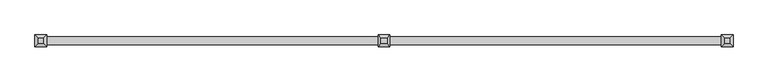
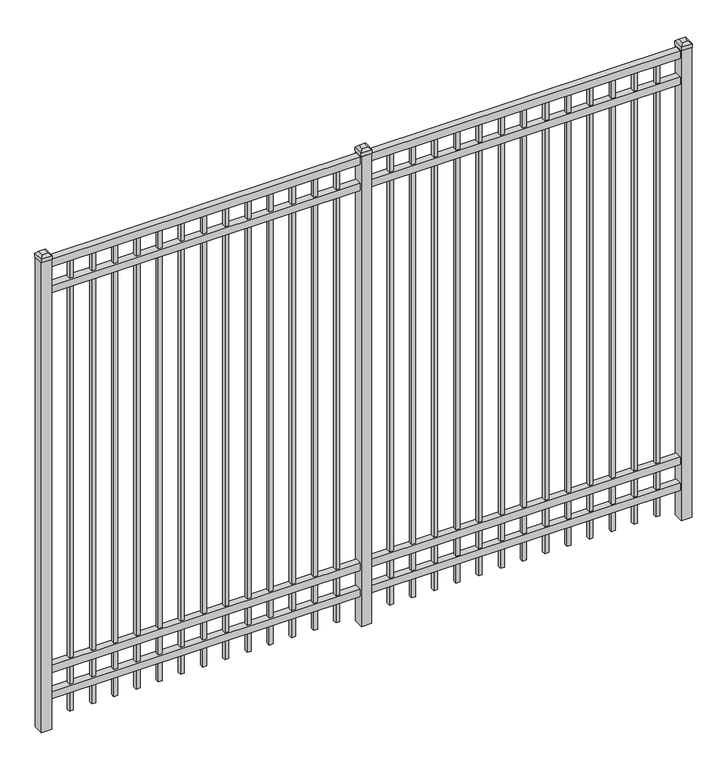
"""IFC4 building model written with IfcOpenShell, lengths in millimetres: railing geometry."""

from ifc_helpers import new_model, si_unit, frame, origin, origin_with_axes, place, context, project, spatial, polyline, outline, extrude, faceted_brep, source, transform, mapped, element, save


def railing_0a908adc(model_context):
    return source(origin(), model_context, "Body", "SolidModel", [
        extrude(outline(polyline([(-55249.318087, -9187.1195174), (-55249.318087, -9152.1945174), (-52099.718087, -9152.1945174), (-52099.718087, -9187.1195174), (-55249.318087, -9187.1195174)])), frame((0.0, 0.0, 2400.3), z_axis=(0.0, 0.0, 1.0), x_axis=(1.0, 0.0, 0.0)), (0.0, 0.0, 1.0), 38.1),
        extrude(outline(polyline([(-55249.318087, -9187.1195174), (-55249.318087, -9152.1945174), (-52099.718087, -9152.1945174), (-52099.718087, -9187.1195174), (-55249.318087, -9187.1195174)])), frame((0.0, 0.0, 2263.775), z_axis=(0.0, 0.0, 1.0), x_axis=(1.0, 0.0, 0.0)), (0.0, 0.0, 1.0), 38.1),
        extrude(outline(polyline([(-55249.318087, -9187.1195174), (-55249.318087, -9152.1945174), (-52099.718087, -9152.1945174), (-52099.718087, -9187.1195174), (-55249.318087, -9187.1195174)])), frame((0.0, 0.0, 288.925), z_axis=(0.0, 0.0, 1.0), x_axis=(1.0, 0.0, 0.0)), (0.0, 0.0, 1.0), 38.1),
        extrude(outline(polyline([(-55249.318087, -9187.1195174), (-55249.318087, -9152.1945174), (-52099.718087, -9152.1945174), (-52099.718087, -9187.1195174), (-55249.318087, -9187.1195174)])), frame((0.0, 0.0, 152.4), z_axis=(0.0, 0.0, 1.0), x_axis=(1.0, 0.0, 0.0)), (0.0, 0.0, 1.0), 38.1),
        extrude(outline(polyline([(-52331.2285036, -9160.1320174), (-52331.2285036, -9179.1820174), (-52350.2785036, -9179.1820174), (-52350.2785036, -9160.1320174), (-52331.2285036, -9160.1320174)])), frame((0.0, 0.0, 50.8), z_axis=(0.0, 0.0, 1.0), x_axis=(1.0, 0.0, 0.0)), (0.0, 0.0, 1.0), 2349.5),
        extrude(outline(polyline([(-52440.5014203, -9160.1320174), (-52440.5014203, -9179.1820174), (-52459.5514203, -9179.1820174), (-52459.5514203, -9160.1320174), (-52440.5014203, -9160.1320174)])), frame((0.0, 0.0, 50.8), z_axis=(0.0, 0.0, 1.0), x_axis=(1.0, 0.0, 0.0)), (0.0, 0.0, 1.0), 2349.5),
        extrude(outline(polyline([(-52549.774337, -9160.1320174), (-52549.774337, -9179.1820174), (-52568.824337, -9179.1820174), (-52568.824337, -9160.1320174), (-52549.774337, -9160.1320174)])), frame((0.0, 0.0, 50.8), z_axis=(0.0, 0.0, 1.0), x_axis=(1.0, 0.0, 0.0)), (0.0, 0.0, 1.0), 2349.5),
        extrude(outline(polyline([(-52659.0472536, -9160.1320174), (-52659.0472536, -9179.1820174), (-52678.0972536, -9179.1820174), (-52678.0972536, -9160.1320174), (-52659.0472536, -9160.1320174)])), frame((0.0, 0.0, 50.8), z_axis=(0.0, 0.0, 1.0), x_axis=(1.0, 0.0, 0.0)), (0.0, 0.0, 1.0), 2349.5),
        extrude(outline(polyline([(-52768.3201703, -9160.1320174), (-52768.3201703, -9179.1820174), (-52787.3701703, -9179.1820174), (-52787.3701703, -9160.1320174), (-52768.3201703, -9160.1320174)])), frame((0.0, 0.0, 50.8), z_axis=(0.0, 0.0, 1.0), x_axis=(1.0, 0.0, 0.0)), (0.0, 0.0, 1.0), 2349.5),
        extrude(outline(polyline([(-52877.593087, -9160.1320174), (-52877.593087, -9179.1820174), (-52896.643087, -9179.1820174), (-52896.643087, -9160.1320174), (-52877.593087, -9160.1320174)])), frame((0.0, 0.0, 50.8), z_axis=(0.0, 0.0, 1.0), x_axis=(1.0, 0.0, 0.0)), (0.0, 0.0, 1.0), 2349.5),
        extrude(outline(polyline([(-52986.8660036, -9160.1320174), (-52986.8660036, -9179.1820174), (-53005.9160036, -9179.1820174), (-53005.9160036, -9160.1320174), (-52986.8660036, -9160.1320174)])), frame((0.0, 0.0, 50.8), z_axis=(0.0, 0.0, 1.0), x_axis=(1.0, 0.0, 0.0)), (0.0, 0.0, 1.0), 2349.5),
        extrude(outline(polyline([(-53096.1389203, -9160.1320174), (-53096.1389203, -9179.1820174), (-53115.1889203, -9179.1820174), (-53115.1889203, -9160.1320174), (-53096.1389203, -9160.1320174)])), frame((0.0, 0.0, 50.8), z_axis=(0.0, 0.0, 1.0), x_axis=(1.0, 0.0, 0.0)), (0.0, 0.0, 1.0), 2349.5),
        extrude(outline(polyline([(-53205.411837, -9160.1320174), (-53205.411837, -9179.1820174), (-53224.461837, -9179.1820174), (-53224.461837, -9160.1320174), (-53205.411837, -9160.1320174)])), frame((0.0, 0.0, 50.8), z_axis=(0.0, 0.0, 1.0), x_axis=(1.0, 0.0, 0.0)), (0.0, 0.0, 1.0), 2349.5),
        extrude(outline(polyline([(-53314.6847536, -9160.1320174), (-53314.6847536, -9179.1820174), (-53333.7347536, -9179.1820174), (-53333.7347536, -9160.1320174), (-53314.6847536, -9160.1320174)])), frame((0.0, 0.0, 50.8), z_axis=(0.0, 0.0, 1.0), x_axis=(1.0, 0.0, 0.0)), (0.0, 0.0, 1.0), 2349.5),
        extrude(outline(polyline([(-53423.9576703, -9160.1320174), (-53423.9576703, -9179.1820174), (-53443.0076703, -9179.1820174), (-53443.0076703, -9160.1320174), (-53423.9576703, -9160.1320174)])), frame((0.0, 0.0, 50.8), z_axis=(0.0, 0.0, 1.0), x_axis=(1.0, 0.0, 0.0)), (0.0, 0.0, 1.0), 2349.5),
        extrude(outline(polyline([(-52221.955587, -9160.1320174), (-52221.955587, -9179.1820174), (-52241.005587, -9179.1820174), (-52241.005587, -9160.1320174), (-52221.955587, -9160.1320174)])), frame((0.0, 0.0, 50.8), z_axis=(0.0, 0.0, 1.0), x_axis=(1.0, 0.0, 0.0)), (0.0, 0.0, 1.0), 2349.5),
        extrude(outline(polyline([(-53533.230587, -9160.1320174), (-53533.230587, -9179.1820174), (-53552.280587, -9179.1820174), (-53552.280587, -9160.1320174), (-53533.230587, -9160.1320174)])), frame((0.0, 0.0, 50.8), z_axis=(0.0, 0.0, 1.0), x_axis=(1.0, 0.0, 0.0)), (0.0, 0.0, 1.0), 2349.5),
        extrude(outline(polyline([(-53649.118087, -9144.2570174), (-53649.118087, -9195.0570174), (-53699.918087, -9195.0570174), (-53699.918087, -9144.2570174), (-53649.118087, -9144.2570174)])), origin_with_axes(), (0.0, 0.0, 1.0), 2444.75),
        faceted_brep([(-53701.505587, -9142.6695174, 2463.8), (-53701.505587, -9142.6695174, 2444.75), (-53701.505587, -9196.6445174, 2444.75), (-53701.505587, -9196.6445174, 2463.8), (-53688.805587, -9155.3695174, 2476.5), (-53688.805587, -9183.9445174, 2476.5), (-53647.530587, -9196.6445174, 2444.75), (-53647.530587, -9196.6445174, 2463.8), (-53660.230587, -9183.9445174, 2476.5), (-53647.530587, -9142.6695174, 2444.75), (-53647.530587, -9142.6695174, 2463.8), (-53660.230587, -9155.3695174, 2476.5)], [[[0, 1, 2, 3]], [[4, 0, 3, 5]], [[3, 2, 6, 7]], [[5, 3, 7, 8]], [[7, 6, 9, 10]], [[8, 7, 10, 11]], [[10, 9, 1, 0]], [[11, 10, 0, 4]], [[5, 8, 11, 4]], [[1, 9, 6, 2]]]),
        extrude(outline(polyline([(-53906.0285036, -9160.1320174), (-53906.0285036, -9179.1820174), (-53925.0785036, -9179.1820174), (-53925.0785036, -9160.1320174), (-53906.0285036, -9160.1320174)])), frame((0.0, 0.0, 50.8), z_axis=(0.0, 0.0, 1.0), x_axis=(1.0, 0.0, 0.0)), (0.0, 0.0, 1.0), 2349.5),
        extrude(outline(polyline([(-54015.3014203, -9160.1320174), (-54015.3014203, -9179.1820174), (-54034.3514203, -9179.1820174), (-54034.3514203, -9160.1320174), (-54015.3014203, -9160.1320174)])), frame((0.0, 0.0, 50.8), z_axis=(0.0, 0.0, 1.0), x_axis=(1.0, 0.0, 0.0)), (0.0, 0.0, 1.0), 2349.5),
        extrude(outline(polyline([(-54124.574337, -9160.1320174), (-54124.574337, -9179.1820174), (-54143.624337, -9179.1820174), (-54143.624337, -9160.1320174), (-54124.574337, -9160.1320174)])), frame((0.0, 0.0, 50.8), z_axis=(0.0, 0.0, 1.0), x_axis=(1.0, 0.0, 0.0)), (0.0, 0.0, 1.0), 2349.5),
        extrude(outline(polyline([(-54233.8472536, -9160.1320174), (-54233.8472536, -9179.1820174), (-54252.8972536, -9179.1820174), (-54252.8972536, -9160.1320174), (-54233.8472536, -9160.1320174)])), frame((0.0, 0.0, 50.8), z_axis=(0.0, 0.0, 1.0), x_axis=(1.0, 0.0, 0.0)), (0.0, 0.0, 1.0), 2349.5),
        extrude(outline(polyline([(-54343.1201703, -9160.1320174), (-54343.1201703, -9179.1820174), (-54362.1701703, -9179.1820174), (-54362.1701703, -9160.1320174), (-54343.1201703, -9160.1320174)])), frame((0.0, 0.0, 50.8), z_axis=(0.0, 0.0, 1.0), x_axis=(1.0, 0.0, 0.0)), (0.0, 0.0, 1.0), 2349.5),
        extrude(outline(polyline([(-54452.393087, -9160.1320174), (-54452.393087, -9179.1820174), (-54471.443087, -9179.1820174), (-54471.443087, -9160.1320174), (-54452.393087, -9160.1320174)])), frame((0.0, 0.0, 50.8), z_axis=(0.0, 0.0, 1.0), x_axis=(1.0, 0.0, 0.0)), (0.0, 0.0, 1.0), 2349.5),
        extrude(outline(polyline([(-54561.6660036, -9160.1320174), (-54561.6660036, -9179.1820174), (-54580.7160036, -9179.1820174), (-54580.7160036, -9160.1320174), (-54561.6660036, -9160.1320174)])), frame((0.0, 0.0, 50.8), z_axis=(0.0, 0.0, 1.0), x_axis=(1.0, 0.0, 0.0)), (0.0, 0.0, 1.0), 2349.5),
        extrude(outline(polyline([(-54670.9389203, -9160.1320174), (-54670.9389203, -9179.1820174), (-54689.9889203, -9179.1820174), (-54689.9889203, -9160.1320174), (-54670.9389203, -9160.1320174)])), frame((0.0, 0.0, 50.8), z_axis=(0.0, 0.0, 1.0), x_axis=(1.0, 0.0, 0.0)), (0.0, 0.0, 1.0), 2349.5),
        extrude(outline(polyline([(-54780.211837, -9160.1320174), (-54780.211837, -9179.1820174), (-54799.261837, -9179.1820174), (-54799.261837, -9160.1320174), (-54780.211837, -9160.1320174)])), frame((0.0, 0.0, 50.8), z_axis=(0.0, 0.0, 1.0), x_axis=(1.0, 0.0, 0.0)), (0.0, 0.0, 1.0), 2349.5),
        extrude(outline(polyline([(-54889.4847536, -9160.1320174), (-54889.4847536, -9179.1820174), (-54908.5347536, -9179.1820174), (-54908.5347536, -9160.1320174), (-54889.4847536, -9160.1320174)])), frame((0.0, 0.0, 50.8), z_axis=(0.0, 0.0, 1.0), x_axis=(1.0, 0.0, 0.0)), (0.0, 0.0, 1.0), 2349.5),
        extrude(outline(polyline([(-54998.7576703, -9160.1320174), (-54998.7576703, -9179.1820174), (-55017.8076703, -9179.1820174), (-55017.8076703, -9160.1320174), (-54998.7576703, -9160.1320174)])), frame((0.0, 0.0, 50.8), z_axis=(0.0, 0.0, 1.0), x_axis=(1.0, 0.0, 0.0)), (0.0, 0.0, 1.0), 2349.5),
        extrude(outline(polyline([(-53796.755587, -9160.1320174), (-53796.755587, -9179.1820174), (-53815.805587, -9179.1820174), (-53815.805587, -9160.1320174), (-53796.755587, -9160.1320174)])), frame((0.0, 0.0, 50.8), z_axis=(0.0, 0.0, 1.0), x_axis=(1.0, 0.0, 0.0)), (0.0, 0.0, 1.0), 2349.5),
        extrude(outline(polyline([(-55108.030587, -9160.1320174), (-55108.030587, -9179.1820174), (-55127.080587, -9179.1820174), (-55127.080587, -9160.1320174), (-55108.030587, -9160.1320174)])), frame((0.0, 0.0, 50.8), z_axis=(0.0, 0.0, 1.0), x_axis=(1.0, 0.0, 0.0)), (0.0, 0.0, 1.0), 2349.5),
        extrude(outline(polyline([(-52074.318087, -9144.2570174), (-52074.318087, -9195.0570174), (-52125.118087, -9195.0570174), (-52125.118087, -9144.2570174), (-52074.318087, -9144.2570174)])), origin_with_axes(), (0.0, 0.0, 1.0), 2444.75),
        faceted_brep([(-52126.705587, -9142.6695174, 2463.8), (-52126.705587, -9142.6695174, 2444.75), (-52126.705587, -9196.6445174, 2444.75), (-52126.705587, -9196.6445174, 2463.8), (-52114.005587, -9155.3695174, 2476.5), (-52114.005587, -9183.9445174, 2476.5), (-52072.730587, -9196.6445174, 2444.75), (-52072.730587, -9196.6445174, 2463.8), (-52085.430587, -9183.9445174, 2476.5), (-52072.730587, -9142.6695174, 2444.75), (-52072.730587, -9142.6695174, 2463.8), (-52085.430587, -9155.3695174, 2476.5)], [[[0, 1, 2, 3]], [[4, 0, 3, 5]], [[3, 2, 6, 7]], [[5, 3, 7, 8]], [[7, 6, 9, 10]], [[8, 7, 10, 11]], [[10, 9, 1, 0]], [[11, 10, 0, 4]], [[5, 8, 11, 4]], [[1, 9, 6, 2]]]),
        extrude(outline(polyline([(-55223.918087, -9144.2570174), (-55223.918087, -9195.0570174), (-55274.718087, -9195.0570174), (-55274.718087, -9144.2570174), (-55223.918087, -9144.2570174)])), origin_with_axes(), (0.0, 0.0, 1.0), 2444.75),
        faceted_brep([(-55276.305587, -9142.6695174, 2463.8), (-55276.305587, -9142.6695174, 2444.75), (-55276.305587, -9196.6445174, 2444.75), (-55276.305587, -9196.6445174, 2463.8), (-55263.605587, -9155.3695174, 2476.5), (-55263.605587, -9183.9445174, 2476.5), (-55222.330587, -9196.6445174, 2444.75), (-55222.330587, -9196.6445174, 2463.8), (-55235.030587, -9183.9445174, 2476.5), (-55222.330587, -9142.6695174, 2444.75), (-55222.330587, -9142.6695174, 2463.8), (-55235.030587, -9155.3695174, 2476.5)], [[[0, 1, 2, 3]], [[4, 0, 3, 5]], [[3, 2, 6, 7]], [[5, 3, 7, 8]], [[7, 6, 9, 10]], [[8, 7, 10, 11]], [[10, 9, 1, 0]], [[11, 10, 0, 4]], [[5, 8, 11, 4]], [[1, 9, 6, 2]]]),
    ])


if __name__ == "__main__":
    model = new_model("IFC4")
    model_context = context("Model", 3, world=origin())
    ifc_project = project(units=[si_unit("LENGTHUNIT", "METRE", prefix="MILLI")], contexts=[model_context])
    site = spatial("IfcSite", under=ifc_project)
    building = spatial("IfcBuilding", under=site)
    placement = place(None, origin())
    railing_shape = railing_0a908adc(model_context)
    element("IfcRailing", 1, at=placement, inside=building, context=model_context, shape_type="MappedRepresentation", body=[
        mapped(railing_shape, transform((0.0, 0.0, 0.0), x_axis=(1.0, 0.0, 0.0), y_axis=(0.0, 1.0, 0.0), z_axis=(0.0, 0.0, 1.0))),
    ])
    save(model, "model.ifc")
